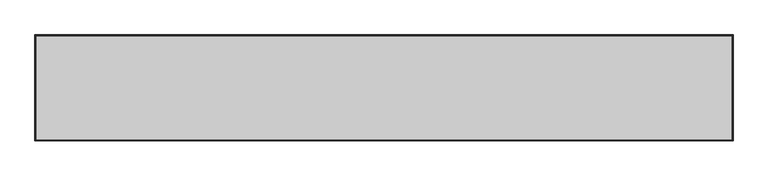
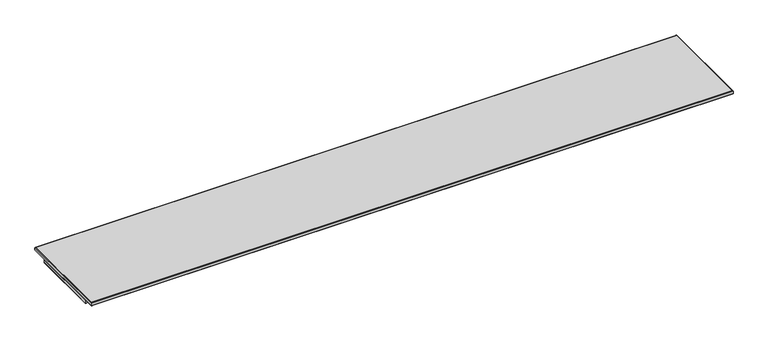
"""IFC4 building model written with IfcOpenShell, lengths in millimetres: furniture geometry."""

from ifc_helpers import new_model, si_unit, frame, origin, place, context, project, spatial, polyline, outline, extrude, faceted_brep, source, transform, mapped, element, save


def furniture_53b6222b(model_context):
    return source(origin(), model_context, "Body", "SolidModel", [
        faceted_brep([(2133.0142073, 19.7166075, 1043.3885283), (2131.5934, 18.2958003, 1042.8000114), (2.0066, 18.2958003, 1042.8000114), (0.5857927, 19.7166075, 1043.3885283), (2133.6, 20.3024003, 1044.8027589), (0.0, 20.3024003, 1044.8027589), (2133.6, 20.3024003, 1054.8000057), (0.0, 20.3024003, 1054.8000057), (2131.5934, 18.2958003, 1054.8000057), (2.0066, 18.2958003, 1054.8000057), (2.0066, -212.5041983, 1042.8000114), (0.5857927, -213.9250056, 1043.3885283), (0.0, -214.5107983, 1044.8027589), (0.0, -214.5107983, 1054.8000057), (2.0066, -212.5041983, 1054.8000057), (2131.5934, -212.5041983, 1042.8000114), (2133.0142073, -213.9250056, 1043.3885283), (2133.6, -214.5107983, 1044.8027589), (2133.6, -214.5107983, 1054.8000057), (2131.5934, -212.5041983, 1054.8000057)], [[[0, 1, 2, 3]], [[4, 0, 3, 5]], [[6, 4, 5, 7]], [[1, 8, 9, 2]], [[3, 2, 10, 11]], [[5, 3, 11, 12]], [[7, 5, 12, 13]], [[2, 9, 14, 10]], [[11, 10, 15, 16]], [[12, 11, 16, 17]], [[13, 12, 17, 18]], [[10, 14, 19, 15]], [[16, 15, 1, 0]], [[17, 16, 0, 4]], [[18, 17, 4, 6]], [[7, 13, 18, 6], [8, 19, 14, 9]], [[15, 19, 8, 1]]]),
        extrude(outline(polyline([(2131.5934, 18.2958003), (2131.5934, -212.5041983), (2.0066, -212.5041983), (2.0066, 18.2958003), (2131.5934, 18.2958003)])), frame((0.0, 0.0, 1042.8000114), z_axis=(0.0, 0.0, 1.0), x_axis=(1.0, 0.0, 0.0)), (0.0, 0.0, 1.0), 11.9999943),
        faceted_brep([(2133.1082364, 73.7600281, 1055.3857985), (2131.6940059, 72.3457976, 1054.8000057), (1.7526, 72.3457976, 1054.8000057), (0.3383695, 73.7600281, 1055.3857985), (2133.6940291, 74.3458208, 1056.800029), (-0.2474233, 74.3458208, 1056.800029), (2133.6940291, 74.3458208, 1064.7999767), (-0.2474233, 74.3458208, 1064.7999767), (2133.1082364, 73.7600281, 1066.2142073), (0.3383695, 73.7600281, 1066.2142073), (2131.6940059, 72.3457976, 1066.8030114), (1.7526, 72.3457976, 1066.8030114), (1.7526, -247.5042058, 1054.8000057), (0.3383695, -248.9184364, 1055.3857985), (-0.2474233, -249.5042291, 1056.800029), (-0.2474233, -249.5042291, 1064.7999767), (0.3383695, -248.9184364, 1066.2142073), (1.7526, -247.5042058, 1066.8030114), (2131.6940059, -247.5042058, 1054.8000057), (2133.1082364, -248.9184364, 1055.3857985), (2133.6940291, -249.5042291, 1056.800029), (2133.6940291, -249.5042291, 1064.7999767), (2133.1082364, -248.9184364, 1066.2142073), (2131.6940059, -247.5042058, 1066.8030114)], [[[0, 1, 2, 3]], [[4, 0, 3, 5]], [[6, 4, 5, 7]], [[8, 6, 7, 9]], [[10, 8, 9, 11]], [[1, 10, 11, 2]], [[3, 2, 12, 13]], [[5, 3, 13, 14]], [[7, 5, 14, 15]], [[9, 7, 15, 16]], [[11, 9, 16, 17]], [[2, 11, 17, 12]], [[13, 12, 18, 19]], [[14, 13, 19, 20]], [[15, 14, 20, 21]], [[16, 15, 21, 22]], [[17, 16, 22, 23]], [[12, 17, 23, 18]], [[19, 18, 1, 0]], [[20, 19, 0, 4]], [[21, 20, 4, 6]], [[22, 21, 6, 8]], [[23, 22, 8, 10]], [[18, 23, 10, 1]]]),
        extrude(outline(polyline([(2131.6940059, 72.3457976), (2131.6940059, -247.5042058), (1.7526, -247.5042058), (1.7526, 72.3457976), (2131.6940059, 72.3457976)])), frame((0.0, 0.0, 1054.8000057), z_axis=(0.0, 0.0, 1.0), x_axis=(1.0, 0.0, 0.0)), (0.0, 0.0, 1.0), 12.0030057),
    ])


if __name__ == "__main__":
    model = new_model("IFC4")
    model_context = context("Model", 3, world=origin())
    ifc_project = project(units=[si_unit("LENGTHUNIT", "METRE", prefix="MILLI")], contexts=[model_context])
    site = spatial("IfcSite", under=ifc_project)
    building = spatial("IfcBuilding", under=site)
    placement = place(None, origin())
    furniture_shape = furniture_53b6222b(model_context)
    element("IfcFurniture", 1, at=placement, inside=building, context=model_context, shape_type="MappedRepresentation", body=[
        mapped(furniture_shape, transform((0.0, 0.0, 0.0), x_axis=(1.0, 0.0, 0.0), y_axis=(0.0, 1.0, 0.0), z_axis=(0.0, 0.0, 1.0))),
    ])
    save(model, "model.ifc")
